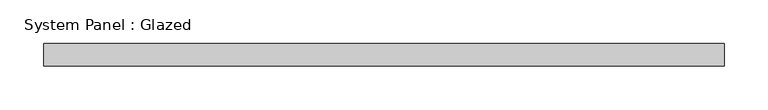
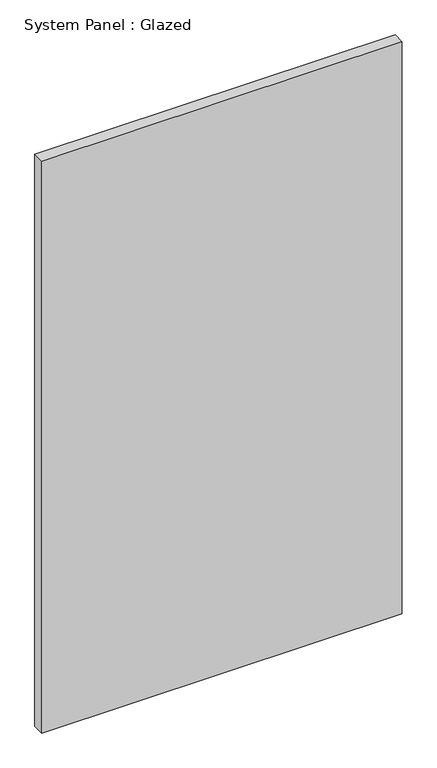
"""IFC4 building model written with IfcOpenShell, lengths in millimetres: plate geometry, System Panel : Glazed."""

from ifc_helpers import new_model, si_unit, origin, origin_with_axes, place, context, project, spatial, polyline, outline, extrude, source, transform, mapped, element, save


def system_panel_glazed_c0ab4a15(model_context):
    return source(origin(), model_context, "Body", "SweptSolid", [
        extrude(outline(polyline([(388.140868, -12.7), (-388.140868, -12.7), (-388.140868, 12.7), (388.140868, 12.7), (388.140868, -12.7)])), origin_with_axes(), (0.0, 0.0, 1.0), 1301.75),
    ])


if __name__ == "__main__":
    model = new_model("IFC4")
    model_context = context("Model", 3, world=origin())
    ifc_project = project(units=[si_unit("LENGTHUNIT", "METRE", prefix="MILLI")], contexts=[model_context])
    site = spatial("IfcSite", under=ifc_project)
    building = spatial("IfcBuilding", under=site)
    placement = place(None, origin())
    system_panel_glazed_shape = system_panel_glazed_c0ab4a15(model_context)
    element("IfcPlate", 1, ObjectType="System Panel : Glazed", at=placement, inside=building, context=model_context, shape_type="MappedRepresentation", body=[
        mapped(system_panel_glazed_shape, transform((0.0, 0.0, 0.0), x_axis=(1.0, 0.0, 0.0), y_axis=(0.0, 1.0, 0.0), z_axis=(0.0, 0.0, 1.0))),
    ])
    save(model, "model.ifc")
